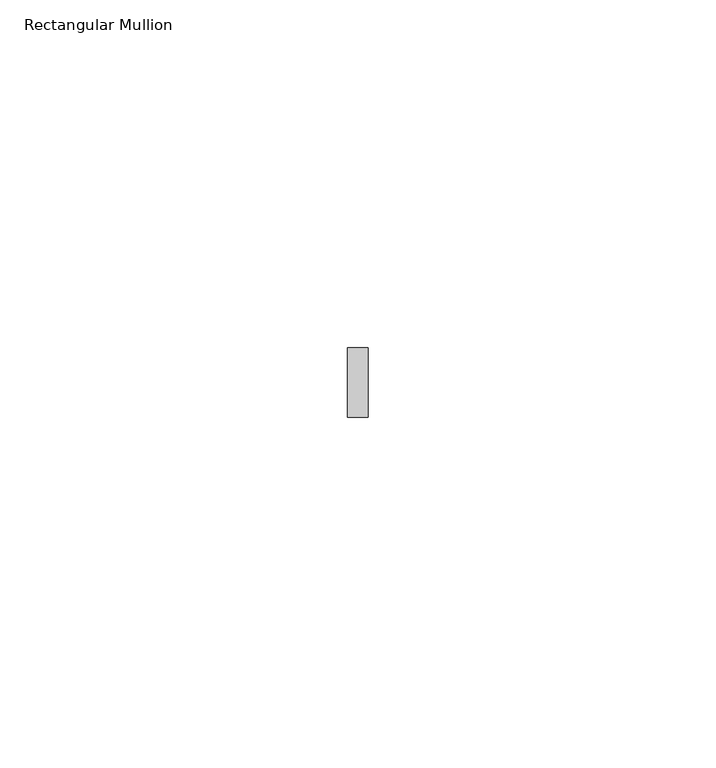
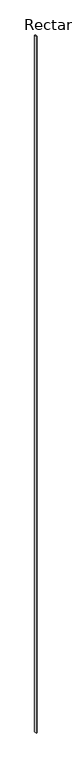
"""IFC4 building model written with IfcOpenShell, lengths in millimetres: member geometry, Rectangular Mullion."""

import ifcopenshell
import ifcopenshell.guid

model = None  # the IFC model being written
_history = None  # IfcOwnerHistory: only IFC2X3 demands one
_inside = {}  # id of a spatial element -> (the spatial element, [elements in it])
_under = {}  # id of a project, library or spatial element -> (it, [spatial elements below it])
_declared = {}  # id of a project -> (the project, [libraries it declares])
_typed = {}  # id of a type object -> (the type object, [elements of that type])
_made_of = {}  # id of a material, layer set ... -> (it, [elements and type objects made of it])


def new_model(schema):
    """Start an empty IFC model of exactly this schema.

    Asked for "IFC4X3", IfcOpenShell would pick the latest addendum, in which some entities
    have other attributes; the version numbers below select the first issue.
    IFC2X3 requires an IfcOwnerHistory on every rooted entity: one is made here for all.
    """
    global model, _history
    if schema == "IFC4X3":
        model = ifcopenshell.file(schema_version=(4, 3, 0, 0))
    else:
        model = ifcopenshell.file(schema=schema)
    _inside.clear()
    _under.clear()
    _declared.clear()
    _typed.clear()
    _made_of.clear()
    _history = None
    if model.schema == "IFC2X3":
        org = make("IfcOrganization", Name="unknown")
        user = make(
            "IfcPersonAndOrganization",
            ThePerson=make("IfcPerson", FamilyName="unknown"),
            TheOrganization=org,
        )
        app = make(
            "IfcApplication",
            ApplicationDeveloper=org,
            Version="unknown",
            ApplicationFullName="unknown",
            ApplicationIdentifier="unknown",
        )
        _history = make(
            "IfcOwnerHistory",
            OwningUser=user,
            OwningApplication=app,
            ChangeAction="ADDED",
            CreationDate=0,
        )
    return model


def make(cls, **values):
    """One entity of the class cls with the attributes given. An attribute that is None is left unset."""
    return model.create_entity(
        cls, **{name: value for name, value in values.items() if value is not None}
    )


def rooted(cls, **values):
    """An entity with a GlobalId (a new one), such as an element, a storey or a relation."""
    return make(cls, GlobalId=ifcopenshell.guid.new(), OwnerHistory=_history, **values)


def si_unit(unit_type, name, prefix=None):
    """IfcSIUnit, for example si_unit("LENGTHUNIT", "METRE", prefix="MILLI")."""
    return make("IfcSIUnit", UnitType=unit_type, Prefix=prefix, Name=name)


def assignment(units):
    """IfcUnitAssignment: the units of a project."""
    return None if units is None else make("IfcUnitAssignment", Units=units)


def point(xyz):
    """IfcCartesianPoint."""
    return None if xyz is None else make("IfcCartesianPoint", Coordinates=xyz)


def direction(xyz):
    """IfcDirection."""
    return None if xyz is None else make("IfcDirection", DirectionRatios=xyz)


def frame(location, z_axis=None, x_axis=None):
    """IfcAxis2Placement3D, a coordinate frame: its origin and axes. An axis left out is left unset."""
    return make(
        "IfcAxis2Placement3D",
        Location=point(location),
        Axis=direction(z_axis),
        RefDirection=direction(x_axis),
    )


def origin():
    """The frame at (0, 0, 0) with its axes left unset."""
    return frame((0.0, 0.0, 0.0))


def place(relative_to, where):
    """IfcLocalPlacement: puts the frame where relative to a parent placement (None: the world)."""
    return make(
        "IfcLocalPlacement", PlacementRelTo=relative_to, RelativePlacement=where
    )


def context(
    kind, dimensions, precision=None, world=None, true_north=None, identifier=None
):
    """IfcGeometricRepresentationContext, for example the 3D "Model" context."""
    return make(
        "IfcGeometricRepresentationContext",
        ContextIdentifier=identifier,
        ContextType=kind,
        CoordinateSpaceDimension=dimensions,
        Precision=precision,
        WorldCoordinateSystem=world,
        TrueNorth=true_north,
    )


def project(units=None, contexts=None):
    """IfcProject with its units and contexts."""
    return rooted(
        "IfcProject",
        Name="project",
        RepresentationContexts=contexts,
        UnitsInContext=assignment(units),
    )


def spatial(cls, under=None, at=None, **own):
    """A site, building, storey or space (cls), placed at a placement, below another one or the project."""
    s = rooted(cls, ObjectPlacement=at, **own)
    if under is not None:
        _under.setdefault(under.id(), (under, []))[1].append(s)
    return s


def polyline(points):
    """IfcPolyline through the points."""
    return make("IfcPolyline", Points=[point(p) for p in points])


def outline(outer, holes=None, kind="AREA"):
    """IfcArbitraryClosedProfileDef: a profile drawn as a closed curve; with holes, ...WithVoids."""
    if holes is None:
        return make("IfcArbitraryClosedProfileDef", ProfileType=kind, OuterCurve=outer)
    return make(
        "IfcArbitraryProfileDefWithVoids",
        ProfileType=kind,
        OuterCurve=outer,
        InnerCurves=holes,
    )


def extrude(swept, where, along, depth):
    """IfcExtrudedAreaSolid: the profile swept, set in the frame where, extruded along a direction by depth."""
    return make(
        "IfcExtrudedAreaSolid",
        SweptArea=swept,
        Position=where,
        ExtrudedDirection=direction(along),
        Depth=depth,
    )


def shape(context_of_items, identifier, shape_type, items):
    """IfcShapeRepresentation: the items that make up one representation, for example the "Body"."""
    return make(
        "IfcShapeRepresentation",
        ContextOfItems=context_of_items,
        RepresentationIdentifier=identifier,
        RepresentationType=shape_type,
        Items=items,
    )


def source(mapping_origin, context_of_items, identifier, shape_type, items):
    """IfcRepresentationMap: a shape defined once, which mapped items show again and again."""
    return make(
        "IfcRepresentationMap",
        MappingOrigin=mapping_origin,
        MappedRepresentation=shape(context_of_items, identifier, shape_type, items),
    )


def transform(
    local_origin,
    x_axis=None,
    y_axis=None,
    z_axis=None,
    scale=None,
    scale2=None,
    scale3=None,
    uniform=True,
):
    """IfcCartesianTransformationOperator3D, or its non-uniform kind. x_axis, y_axis, z_axis: its Axis1, 2, 3."""
    if uniform:
        return make(
            "IfcCartesianTransformationOperator3D",
            Axis1=direction(x_axis),
            Axis2=direction(y_axis),
            LocalOrigin=point(local_origin),
            Scale=scale,
            Axis3=direction(z_axis),
        )
    return make(
        "IfcCartesianTransformationOperator3DnonUniform",
        Axis1=direction(x_axis),
        Axis2=direction(y_axis),
        LocalOrigin=point(local_origin),
        Scale=scale,
        Axis3=direction(z_axis),
        Scale2=scale2,
        Scale3=scale3,
    )


def mapped(mapping_source, mapping_target):
    """IfcMappedItem: shows the shape of a source again, moved by a transform."""
    return make(
        "IfcMappedItem", MappingSource=mapping_source, MappingTarget=mapping_target
    )


def made_of(thing, what):
    """Note that an element or type object is made of a material, layer set ...; save() writes the relation."""
    if what is not None:
        _made_of.setdefault(what.id(), (what, []))[1].append(thing)
    return thing


def element(
    cls,
    number,
    at=None,
    inside=None,
    cuts=None,
    type_object=None,
    material=None,
    context=None,
    identifier="Body",
    shape_type=None,
    held_by="IfcProductDefinitionShape",
    body=None,
    shapes=None,
    **own,
):
    """One element of the class cls, such as IfcWall. Its Tag is "e" and its number.

    at: its placement. inside: the storey or other place that contains it. cuts: it is an
    opening in that element (IfcRelVoidsElement). A single representation is given by context,
    identifier, shape_type and body (its items); several are given by shapes. held_by: the class
    of the entity that holds the representations. save() writes the other relations.
    """
    e = rooted(cls, Tag="e%d" % number, ObjectPlacement=at, **own)
    if body is not None:
        shapes = [shape(context, identifier, shape_type, body)]
    if shapes is not None:
        e.Representation = make(held_by, Representations=shapes)
    if inside is not None:
        _inside.setdefault(inside.id(), (inside, []))[1].append(e)
    if cuts is not None:
        rooted(
            "IfcRelVoidsElement", RelatingBuildingElement=cuts, RelatedOpeningElement=e
        )
    if type_object is not None:
        _typed.setdefault(type_object.id(), (type_object, []))[1].append(e)
    return made_of(e, material)


def aggregate(whole, parts):
    """IfcRelAggregates: a whole, such as a stair, and the parts it consists of."""
    return rooted("IfcRelAggregates", RelatingObject=whole, RelatedObjects=parts)


def save(model, path):
    """Write the relations noted so far, then the file.

    IfcRelAggregates (storeys below a building ...), IfcRelContainedInSpatialStructure (elements
    in a storey), IfcRelDefinesByType, IfcRelAssociatesMaterial and IfcRelDeclares: one each for
    every whole, place, type object, material and project.
    """
    for whole, parts in _under.values():
        aggregate(whole, parts)
    for where, things in _inside.values():
        rooted(
            "IfcRelContainedInSpatialStructure",
            RelatedElements=things,
            RelatingStructure=where,
        )
    for kind, things in _typed.values():
        rooted("IfcRelDefinesByType", RelatedObjects=things, RelatingType=kind)
    for what, things in _made_of.values():
        rooted("IfcRelAssociatesMaterial", RelatedObjects=things, RelatingMaterial=what)
    for by, libraries in _declared.values():
        rooted("IfcRelDeclares", RelatingContext=by, RelatedDefinitions=libraries)
    model.write(path)


def rectangular_mullion_7b6f3e5d(model_context):
    return source(origin(), model_context, "Body", "SweptSolid", [
        extrude(outline(polyline([(-1.5, -5.0), (-1.5, 5.0), (1.5, 5.0), (1.5, -5.0), (-1.5, -5.0)])), frame((0.0, 0.0, -2668.2), z_axis=(0.0, 0.0, 1.0), x_axis=(1.0, 0.0, 0.0)), (0.0, 0.0, 1.0), 2668.2),
    ])


if __name__ == "__main__":
    model = new_model("IFC4")
    model_context = context("Model", 3, world=origin())
    ifc_project = project(units=[si_unit("LENGTHUNIT", "METRE", prefix="MILLI")], contexts=[model_context])
    site = spatial("IfcSite", under=ifc_project)
    building = spatial("IfcBuilding", under=site)
    placement = place(None, origin())
    rectangular_mullion_shape = rectangular_mullion_7b6f3e5d(model_context)
    element("IfcMember", 1, ObjectType="Rectangular Mullion", at=placement, inside=building, context=model_context, shape_type="MappedRepresentation", body=[
        mapped(rectangular_mullion_shape, transform((0.0, 0.0, 0.0), x_axis=(1.0, 0.0, 0.0), y_axis=(0.0, 1.0, 0.0), z_axis=(0.0, 0.0, 1.0))),
    ])
    save(model, "model.ifc")
